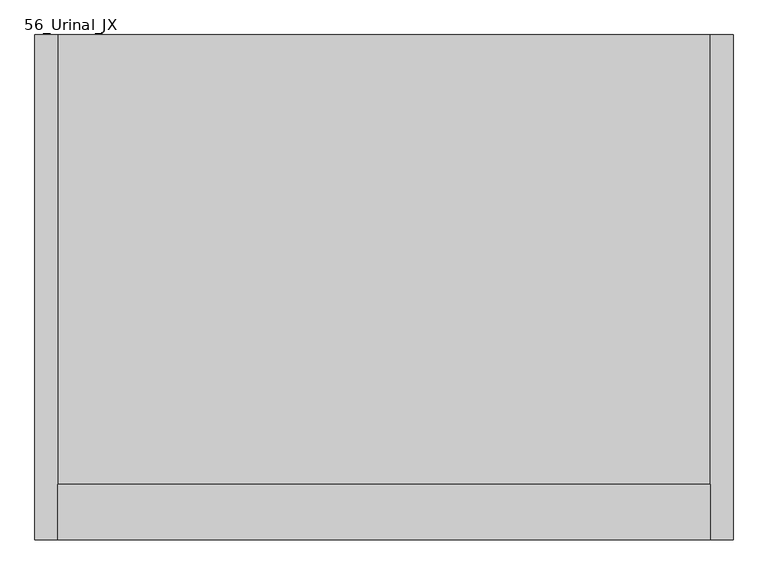
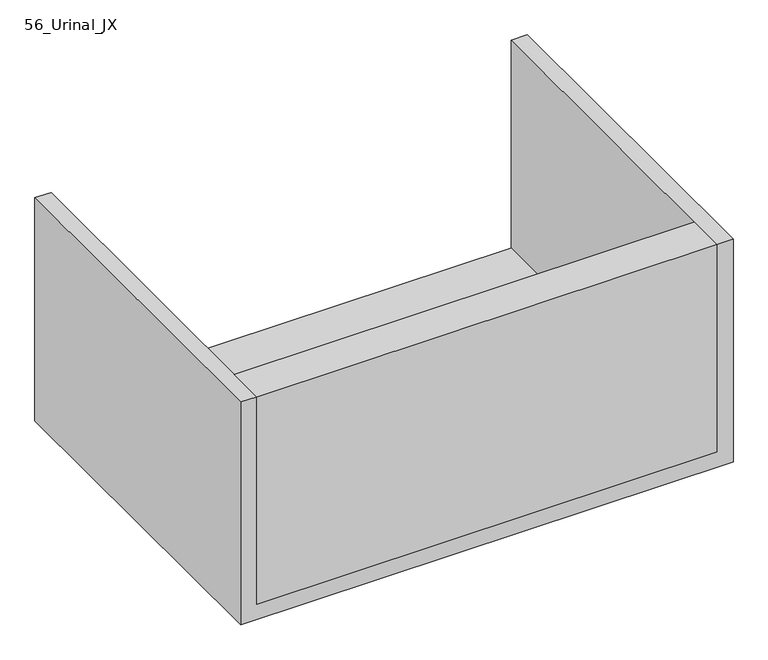
"""IFC4 building model written with IfcOpenShell, lengths in millimetres: proxy geometry, 56_Urinal_JX."""

import ifcopenshell
import ifcopenshell.guid

model = None  # the IFC model being written
_history = None  # IfcOwnerHistory: only IFC2X3 demands one
_inside = {}  # id of a spatial element -> (the spatial element, [elements in it])
_under = {}  # id of a project, library or spatial element -> (it, [spatial elements below it])
_declared = {}  # id of a project -> (the project, [libraries it declares])
_typed = {}  # id of a type object -> (the type object, [elements of that type])
_made_of = {}  # id of a material, layer set ... -> (it, [elements and type objects made of it])


def new_model(schema):
    """Start an empty IFC model of exactly this schema.

    Asked for "IFC4X3", IfcOpenShell would pick the latest addendum, in which some entities
    have other attributes; the version numbers below select the first issue.
    IFC2X3 requires an IfcOwnerHistory on every rooted entity: one is made here for all.
    """
    global model, _history
    if schema == "IFC4X3":
        model = ifcopenshell.file(schema_version=(4, 3, 0, 0))
    else:
        model = ifcopenshell.file(schema=schema)
    _inside.clear()
    _under.clear()
    _declared.clear()
    _typed.clear()
    _made_of.clear()
    _history = None
    if model.schema == "IFC2X3":
        org = make("IfcOrganization", Name="unknown")
        user = make(
            "IfcPersonAndOrganization",
            ThePerson=make("IfcPerson", FamilyName="unknown"),
            TheOrganization=org,
        )
        app = make(
            "IfcApplication",
            ApplicationDeveloper=org,
            Version="unknown",
            ApplicationFullName="unknown",
            ApplicationIdentifier="unknown",
        )
        _history = make(
            "IfcOwnerHistory",
            OwningUser=user,
            OwningApplication=app,
            ChangeAction="ADDED",
            CreationDate=0,
        )
    return model


def make(cls, **values):
    """One entity of the class cls with the attributes given. An attribute that is None is left unset."""
    return model.create_entity(
        cls, **{name: value for name, value in values.items() if value is not None}
    )


def rooted(cls, **values):
    """An entity with a GlobalId (a new one), such as an element, a storey or a relation."""
    return make(cls, GlobalId=ifcopenshell.guid.new(), OwnerHistory=_history, **values)


def si_unit(unit_type, name, prefix=None):
    """IfcSIUnit, for example si_unit("LENGTHUNIT", "METRE", prefix="MILLI")."""
    return make("IfcSIUnit", UnitType=unit_type, Prefix=prefix, Name=name)


def assignment(units):
    """IfcUnitAssignment: the units of a project."""
    return None if units is None else make("IfcUnitAssignment", Units=units)


def point(xyz):
    """IfcCartesianPoint."""
    return None if xyz is None else make("IfcCartesianPoint", Coordinates=xyz)


def direction(xyz):
    """IfcDirection."""
    return None if xyz is None else make("IfcDirection", DirectionRatios=xyz)


def frame(location, z_axis=None, x_axis=None):
    """IfcAxis2Placement3D, a coordinate frame: its origin and axes. An axis left out is left unset."""
    return make(
        "IfcAxis2Placement3D",
        Location=point(location),
        Axis=direction(z_axis),
        RefDirection=direction(x_axis),
    )


def origin():
    """The frame at (0, 0, 0) with its axes left unset."""
    return frame((0.0, 0.0, 0.0))


def place(relative_to, where):
    """IfcLocalPlacement: puts the frame where relative to a parent placement (None: the world)."""
    return make(
        "IfcLocalPlacement", PlacementRelTo=relative_to, RelativePlacement=where
    )


def context(
    kind, dimensions, precision=None, world=None, true_north=None, identifier=None
):
    """IfcGeometricRepresentationContext, for example the 3D "Model" context."""
    return make(
        "IfcGeometricRepresentationContext",
        ContextIdentifier=identifier,
        ContextType=kind,
        CoordinateSpaceDimension=dimensions,
        Precision=precision,
        WorldCoordinateSystem=world,
        TrueNorth=true_north,
    )


def project(units=None, contexts=None):
    """IfcProject with its units and contexts."""
    return rooted(
        "IfcProject",
        Name="project",
        RepresentationContexts=contexts,
        UnitsInContext=assignment(units),
    )


def spatial(cls, under=None, at=None, **own):
    """A site, building, storey or space (cls), placed at a placement, below another one or the project."""
    s = rooted(cls, ObjectPlacement=at, **own)
    if under is not None:
        _under.setdefault(under.id(), (under, []))[1].append(s)
    return s


def polyline(points):
    """IfcPolyline through the points."""
    return make("IfcPolyline", Points=[point(p) for p in points])


def outline(outer, holes=None, kind="AREA"):
    """IfcArbitraryClosedProfileDef: a profile drawn as a closed curve; with holes, ...WithVoids."""
    if holes is None:
        return make("IfcArbitraryClosedProfileDef", ProfileType=kind, OuterCurve=outer)
    return make(
        "IfcArbitraryProfileDefWithVoids",
        ProfileType=kind,
        OuterCurve=outer,
        InnerCurves=holes,
    )


def extrude(swept, where, along, depth):
    """IfcExtrudedAreaSolid: the profile swept, set in the frame where, extruded along a direction by depth."""
    return make(
        "IfcExtrudedAreaSolid",
        SweptArea=swept,
        Position=where,
        ExtrudedDirection=direction(along),
        Depth=depth,
    )


def shape(context_of_items, identifier, shape_type, items):
    """IfcShapeRepresentation: the items that make up one representation, for example the "Body"."""
    return make(
        "IfcShapeRepresentation",
        ContextOfItems=context_of_items,
        RepresentationIdentifier=identifier,
        RepresentationType=shape_type,
        Items=items,
    )


def source(mapping_origin, context_of_items, identifier, shape_type, items):
    """IfcRepresentationMap: a shape defined once, which mapped items show again and again."""
    return make(
        "IfcRepresentationMap",
        MappingOrigin=mapping_origin,
        MappedRepresentation=shape(context_of_items, identifier, shape_type, items),
    )


def transform(
    local_origin,
    x_axis=None,
    y_axis=None,
    z_axis=None,
    scale=None,
    scale2=None,
    scale3=None,
    uniform=True,
):
    """IfcCartesianTransformationOperator3D, or its non-uniform kind. x_axis, y_axis, z_axis: its Axis1, 2, 3."""
    if uniform:
        return make(
            "IfcCartesianTransformationOperator3D",
            Axis1=direction(x_axis),
            Axis2=direction(y_axis),
            LocalOrigin=point(local_origin),
            Scale=scale,
            Axis3=direction(z_axis),
        )
    return make(
        "IfcCartesianTransformationOperator3DnonUniform",
        Axis1=direction(x_axis),
        Axis2=direction(y_axis),
        LocalOrigin=point(local_origin),
        Scale=scale,
        Axis3=direction(z_axis),
        Scale2=scale2,
        Scale3=scale3,
    )


def mapped(mapping_source, mapping_target):
    """IfcMappedItem: shows the shape of a source again, moved by a transform."""
    return make(
        "IfcMappedItem", MappingSource=mapping_source, MappingTarget=mapping_target
    )


def made_of(thing, what):
    """Note that an element or type object is made of a material, layer set ...; save() writes the relation."""
    if what is not None:
        _made_of.setdefault(what.id(), (what, []))[1].append(thing)
    return thing


def element(
    cls,
    number,
    at=None,
    inside=None,
    cuts=None,
    type_object=None,
    material=None,
    context=None,
    identifier="Body",
    shape_type=None,
    held_by="IfcProductDefinitionShape",
    body=None,
    shapes=None,
    **own,
):
    """One element of the class cls, such as IfcWall. Its Tag is "e" and its number.

    at: its placement. inside: the storey or other place that contains it. cuts: it is an
    opening in that element (IfcRelVoidsElement). A single representation is given by context,
    identifier, shape_type and body (its items); several are given by shapes. held_by: the class
    of the entity that holds the representations. save() writes the other relations.
    """
    e = rooted(cls, Tag="e%d" % number, ObjectPlacement=at, **own)
    if body is not None:
        shapes = [shape(context, identifier, shape_type, body)]
    if shapes is not None:
        e.Representation = make(held_by, Representations=shapes)
    if inside is not None:
        _inside.setdefault(inside.id(), (inside, []))[1].append(e)
    if cuts is not None:
        rooted(
            "IfcRelVoidsElement", RelatingBuildingElement=cuts, RelatedOpeningElement=e
        )
    if type_object is not None:
        _typed.setdefault(type_object.id(), (type_object, []))[1].append(e)
    return made_of(e, material)


def aggregate(whole, parts):
    """IfcRelAggregates: a whole, such as a stair, and the parts it consists of."""
    return rooted("IfcRelAggregates", RelatingObject=whole, RelatedObjects=parts)


def save(model, path):
    """Write the relations noted so far, then the file.

    IfcRelAggregates (storeys below a building ...), IfcRelContainedInSpatialStructure (elements
    in a storey), IfcRelDefinesByType, IfcRelAssociatesMaterial and IfcRelDeclares: one each for
    every whole, place, type object, material and project.
    """
    for whole, parts in _under.values():
        aggregate(whole, parts)
    for where, things in _inside.values():
        rooted(
            "IfcRelContainedInSpatialStructure",
            RelatedElements=things,
            RelatingStructure=where,
        )
    for kind, things in _typed.values():
        rooted("IfcRelDefinesByType", RelatedObjects=things, RelatingType=kind)
    for what, things in _made_of.values():
        rooted("IfcRelAssociatesMaterial", RelatedObjects=things, RelatingMaterial=what)
    for by, libraries in _declared.values():
        rooted("IfcRelDeclares", RelatingContext=by, RelatedDefinitions=libraries)
    model.write(path)


def proxy_56_urinal_jx_6d3c7fe7(model_context):
    return source(origin(), model_context, "Body", "SweptSolid", [
        extrude(outline(polyline([(-1600.0, 728.0), (-1479.7333333, 728.0), (-1540.0, 50.0), (-1600.0, 50.0), (-1600.0, 728.0)])), frame((-660.0, 0.0, 0.0), z_axis=(1.0, 0.0, 0.0), x_axis=(0.0, 1.0, 0.0)), (0.0, 0.0, 1.0), 1420.0),
        extrude(outline(polyline([(0.0, 810.0), (728.0, 810.0), (728.0, 760.0), (50.0, 760.0), (50.0, -660.0), (728.0, -660.0), (728.0, -710.0), (0.0, -710.0), (0.0, 810.0)])), frame((0.0, -1600.0, 0.0), z_axis=(0.0, 1.0, 0.0), x_axis=(0.0, 0.0, 1.0)), (0.0, 0.0, 1.0), 1100.0),
    ])


if __name__ == "__main__":
    model = new_model("IFC4")
    model_context = context("Model", 3, world=origin())
    ifc_project = project(units=[si_unit("LENGTHUNIT", "METRE", prefix="MILLI")], contexts=[model_context])
    site = spatial("IfcSite", under=ifc_project)
    building = spatial("IfcBuilding", under=site)
    placement = place(None, origin())
    proxy_56_urinal_jx_shape = proxy_56_urinal_jx_6d3c7fe7(model_context)
    element("IfcBuildingElementProxy", 1, Name="56_Urinal_JX", ObjectType="56_Urinal_JX", at=placement, inside=building, context=model_context, shape_type="MappedRepresentation", body=[
        mapped(proxy_56_urinal_jx_shape, transform((0.0, 0.0, 0.0), x_axis=(1.0, 0.0, 0.0), y_axis=(0.0, 1.0, 0.0), z_axis=(0.0, 0.0, 1.0))),
    ])
    save(model, "model.ifc")
